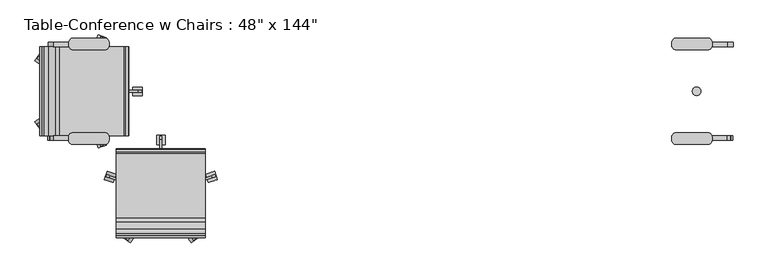
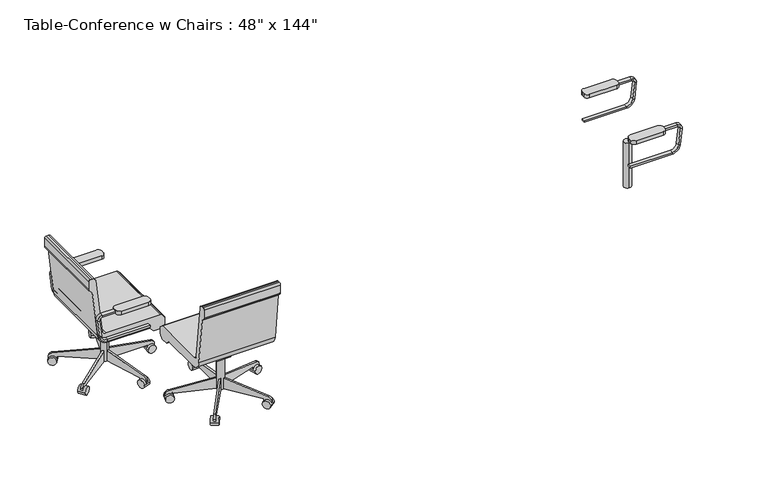
"""IFC4 building model written with IfcOpenShell, lengths in millimetres: furniture geometry."""

from ifc_helpers import new_model, si_unit, point, frame, frame_2d, origin, place, context, project, spatial, polyline, circle_curve, trimmed, segment, composite_curve, outline, extrude, source, transform, mapped, element, save
from ifc_brep_helpers import plane_surface, cylinder_surface, revolved_surface, advanced_brep


def furniture_51665881(model_context):
    return source(origin(), model_context, "Body", "SolidModel", [
        extrude(outline(composite_curve([segment(trimmed(circle_curve(frame_2d((1828.8, 0.0)), 25.4), [point((1828.8, -25.4))], [point((1828.8, 25.4))], False, "CARTESIAN"), True, "CONTINUOUS"), segment(trimmed(circle_curve(frame_2d((1828.8, 0.0)), 25.4), [point((1828.8, 25.4))], [point((1828.8, -25.4))], False, "CARTESIAN"), True, "CONTINUOUS")], self_intersect=False)), frame((0.0, 0.0, 53.5835944), z_axis=(0.0, 0.0, 1.0), x_axis=(1.0, 0.0, 0.0)), (0.0, 0.0, 1.0), 330.5914056),
        advanced_brep(
        [(1680.7139925, 292.1, 425.45), (1680.7139925, 292.1, 412.75), (1680.7139925, 266.7, 412.75), (1680.7139925, 266.7, 425.45), (1976.0751797, 292.1, 425.45), (1976.0751797, 292.1, 412.75), (1976.0751797, 266.7, 412.75), (1976.0751797, 266.7, 425.45), (2032.8337367, 292.1, 463.2225227), (2020.220724, 292.1, 464.7064065), (2032.8337367, 266.7, 463.2225227), (2020.220724, 266.7, 464.7064065), (2034.016932, 292.1, 581.9741742), (2046.6299447, 292.1, 580.4902904), (2046.6299447, 266.7, 580.4902904), (2034.016932, 266.7, 581.9741742), (2015.097413, 292.1, 615.95), (2015.097413, 292.1, 603.25), (2015.097413, 266.7, 615.95), (2015.097413, 266.7, 603.25), (1828.8, 292.1, 603.25), (1828.8, 266.7, 603.25), (1828.8, 266.7, 615.95), (1828.8, 292.1, 615.95)],
        [
            (0, 1),
            (1, 2),
            (2, 3),
            (3, 0),
            (0, 4),
            (4, 5),
            (5, 1),
            (5, 6),
            (6, 2),
            (6, 7),
            (7, 3),
            (7, 4),
            (8, 5, circle_curve(frame((1976.0751797, 292.1, 469.9), z_axis=(0.0, 1.0, 0.0), x_axis=(0.0, 0.0, -1.0)), 57.15)),
            (4, 9, circle_curve(frame((1976.0751797, 292.1, 469.9), z_axis=(0.0, -1.0, 0.0), x_axis=(0.0, 0.0, -1.0)), 44.45)),
            (9, 8),
            (10, 6, circle_curve(frame((1976.0751797, 266.7, 469.9), z_axis=(0.0, 1.0, 0.0), x_axis=(0.0, 0.0, -1.0)), 57.15)),
            (8, 10),
            (11, 7, circle_curve(frame((1976.0751797, 266.7, 469.9), z_axis=(0.0, 1.0, 0.0), x_axis=(0.0, 0.0, -1.0)), 44.45)),
            (10, 11),
            (11, 9),
            (9, 12),
            (12, 13),
            (13, 8),
            (13, 14),
            (14, 10),
            (14, 15),
            (15, 11),
            (15, 12),
            (16, 13, circle_curve(frame((2015.097413, 292.1, 584.2), z_axis=(0.0, 1.0, 0.0), x_axis=(0.9931506043228769, 0.0, -0.1168412475673929)), 31.75)),
            (12, 17, circle_curve(frame((2015.097413, 292.1, 584.2), z_axis=(0.0, -1.0, 0.0), x_axis=(0.9931506043228769, 0.0, -0.1168412475673929)), 19.05)),
            (17, 16),
            (18, 14, circle_curve(frame((2015.097413, 266.7, 584.2), z_axis=(0.0, 1.0, 0.0), x_axis=(0.9931506043228769, 0.0, -0.1168412475673929)), 31.75)),
            (16, 18),
            (19, 15, circle_curve(frame((2015.097413, 266.7, 584.2), z_axis=(0.0, 1.0, 0.0), x_axis=(0.9931506043228769, 0.0, -0.1168412475673929)), 19.05)),
            (18, 19),
            (19, 17),
            (20, 21),
            (21, 22),
            (22, 23),
            (23, 20),
            (17, 20),
            (23, 16),
            (22, 18),
            (21, 19),
        ],
        [
            plane_surface(frame((1680.7139925, 265.2009683, 419.1), z_axis=(-1.0, 0.0, 0.0), x_axis=(0.0, 0.0, -1.0))),
            plane_surface(frame((1680.7139925, 292.1, 425.45), z_axis=(0.0, 1.0, 0.0), x_axis=(1.0, 0.0, 0.0))),
            plane_surface(frame((1680.7139925, 292.1, 412.75), z_axis=(0.0, 0.0, -1.0), x_axis=(1.0, 0.0, 0.0))),
            plane_surface(frame((1680.7139925, 266.7, 412.75), z_axis=(0.0, -1.0, 0.0), x_axis=(1.0, 0.0, 0.0))),
            plane_surface(frame((1680.7139925, 266.7, 425.45), z_axis=(0.0, 0.0, 1.0), x_axis=(1.0, 0.0, 0.0))),
            plane_surface(frame((1976.0751797, 292.1, 469.9), z_axis=(0.0, 1.0, 0.0), x_axis=(0.0, 0.0, -1.0))),
            cylinder_surface(frame((1976.0751797, 279.4, 469.9), z_axis=(0.0, -1.0000000000000002, 0.0), x_axis=(0.0, 0.0, -1.0)), 57.15),
            plane_surface(frame((1976.0751797, 266.7, 469.9), z_axis=(0.0, -1.0, 0.0), x_axis=(0.0, 0.0, -1.0))),
            revolved_surface(polyline([(1976.0751797, 266.7, 425.45), (1976.0751797, 292.1, 425.45)]), (1976.0751797, 279.4, 469.9), (0.0, -1.0000000000000002, 0.0)),
            plane_surface(frame((2020.220724, 292.1, 464.7064065), z_axis=(0.0, 1.0, 0.0), x_axis=(0.11684124756738624, 0.0, 0.9931506043228775))),
            plane_surface(frame((2032.8337367, 292.1, 463.2225227), z_axis=(0.9931506043228775, 0.0, -0.11684124756738645), x_axis=(0.11684124756738645, 0.0, 0.9931506043228775))),
            plane_surface(frame((2032.8337367, 266.7, 463.2225227), z_axis=(0.0, -1.0, 0.0), x_axis=(0.11684124756738618, 0.0, 0.9931506043228775))),
            plane_surface(frame((2020.220724, 266.7, 464.7064065), z_axis=(-0.9931506043228775, 0.0, 0.11684124756738624), x_axis=(0.11684124756738624, 0.0, 0.9931506043228775))),
            plane_surface(frame((2015.097413, 292.1, 584.2), z_axis=(0.0, 1.0, 0.0), x_axis=(0.9931506043228767, 0.0, -0.11684124756739288))),
            cylinder_surface(frame((2015.097413, 279.4, 584.2), z_axis=(0.0, -1.0000000000000002, 0.0), x_axis=(0.9931506043228769, 0.0, -0.1168412475673929)), 31.75),
            plane_surface(frame((2015.097413, 266.7, 584.2), z_axis=(0.0, -1.0, 0.0), x_axis=(0.9931506043228767, 0.0, -0.11684124756739288))),
            revolved_surface(polyline([(2034.0169320123507, 266.7, 581.9741742338412), (2034.0169320123507, 292.1, 581.9741742338412)]), (2015.097413, 279.4, 584.2), (0.0, -1.0000000000000002, 0.0)),
            plane_surface(frame((1828.8, 265.2009683, 609.6), z_axis=(-1.0, 0.0, 0.0), x_axis=(0.0, 0.0, 1.0))),
            plane_surface(frame((2015.097413, 292.1, 603.25), z_axis=(0.0, 1.0, 0.0), x_axis=(-1.0, 0.0, 0.0))),
            plane_surface(frame((2015.097413, 292.1, 615.95), z_axis=(0.0, 0.0, 1.0), x_axis=(-1.0, 0.0, 0.0))),
            plane_surface(frame((2015.097413, 266.7, 615.95), z_axis=(0.0, -1.0, 0.0), x_axis=(-1.0, 0.0, 0.0))),
            plane_surface(frame((2015.097413, 266.7, 603.25), z_axis=(0.0, 0.0, -1.0), x_axis=(-1.0, 0.0, 0.0))),
        ],
        [
            (0, [[1, 2, 3, 4]]),
            (1, [[-1, 5, 6, 7]]),
            (2, [[-2, -7, 8, 9]]),
            (3, [[-3, -9, 10, 11]]),
            (4, [[-4, -11, 12, -5]]),
            (5, [[13, -6, 14, 15]]),
            (6, [[16, -8, -13, 17]]),
            (7, [[18, -10, -16, 19]]),
            (8, [[-14, -12, -18, 20]]),
            (9, [[-15, 21, 22, 23]]),
            (10, [[-17, -23, 24, 25]]),
            (11, [[-19, -25, 26, 27]]),
            (12, [[-20, -27, 28, -21]]),
            (13, [[29, -22, 30, 31]]),
            (14, [[32, -24, -29, 33]]),
            (15, [[34, -26, -32, 35]]),
            (16, [[-30, -28, -34, 36]]),
            (17, [[37, 38, 39, 40]]),
            (18, [[-31, 41, -40, 42]]),
            (19, [[-33, -42, -39, 43]]),
            (20, [[-35, -43, -38, 44]]),
            (21, [[-36, -44, -37, -41]]),
        ],
    ),
        advanced_brep(
        [(1680.7139925, -292.1, 412.75), (1680.7139925, -292.1, 425.45), (1680.7139925, -266.7, 425.45), (1680.7139925, -266.7, 412.75), (1973.9847667, -292.1, 412.75), (1973.9847667, -292.1, 425.45), (1973.9847667, -266.7, 425.45), (1973.9847667, -266.7, 412.75), (2018.1303111, -292.1, 464.7064065), (2030.7433237, -292.1, 463.2225227), (2018.1303111, -266.7, 464.7064065), (2030.7433237, -266.7, 463.2225227), (2044.5395317, -292.1, 580.4902904), (2031.926519, -292.1, 581.9741742), (2031.926519, -266.7, 581.9741742), (2044.5395317, -266.7, 580.4902904), (2013.007, -292.1, 603.25), (2013.007, -292.1, 615.95), (2013.007, -266.7, 603.25), (2013.007, -266.7, 615.95), (1828.8, -292.1, 615.95), (1828.8, -266.7, 615.95), (1828.8, -266.7, 603.25), (1828.8, -292.1, 603.25)],
        [
            (0, 1),
            (1, 2),
            (2, 3),
            (3, 0),
            (0, 4),
            (4, 5),
            (5, 1),
            (5, 6),
            (6, 2),
            (6, 7),
            (7, 3),
            (7, 4),
            (8, 5, circle_curve(frame((1973.9847667, -292.1, 469.9), z_axis=(0.0, 1.0, 0.0), x_axis=(0.0, 0.0, -1.0)), 44.45)),
            (4, 9, circle_curve(frame((1973.9847667, -292.1, 469.9), z_axis=(0.0, -1.0, 0.0), x_axis=(0.0, 0.0, -1.0)), 57.15)),
            (9, 8),
            (10, 6, circle_curve(frame((1973.9847667, -266.7, 469.9), z_axis=(0.0, 1.0, 0.0), x_axis=(0.0, 0.0, -1.0)), 44.45)),
            (8, 10),
            (11, 7, circle_curve(frame((1973.9847667, -266.7, 469.9), z_axis=(0.0, 1.0, 0.0), x_axis=(0.0, 0.0, -1.0)), 57.15)),
            (10, 11),
            (11, 9),
            (9, 12),
            (12, 13),
            (13, 8),
            (13, 14),
            (14, 10),
            (14, 15),
            (15, 11),
            (15, 12),
            (16, 13, circle_curve(frame((2013.007, -292.1, 584.2), z_axis=(0.0, 1.0, 0.0), x_axis=(0.9931506043228779, 0.0, -0.11684124756738384)), 19.05)),
            (12, 17, circle_curve(frame((2013.007, -292.1, 584.2), z_axis=(0.0, -1.0, 0.0), x_axis=(0.9931506043228779, 0.0, -0.11684124756738384)), 31.75)),
            (17, 16),
            (18, 14, circle_curve(frame((2013.007, -266.7, 584.2), z_axis=(0.0, 1.0, 0.0), x_axis=(0.9931506043228779, 0.0, -0.11684124756738384)), 19.05)),
            (16, 18),
            (19, 15, circle_curve(frame((2013.007, -266.7, 584.2), z_axis=(0.0, 1.0, 0.0), x_axis=(0.9931506043228779, 0.0, -0.11684124756738384)), 31.75)),
            (18, 19),
            (19, 17),
            (20, 21),
            (21, 22),
            (22, 23),
            (23, 20),
            (17, 20),
            (23, 16),
            (22, 18),
            (21, 19),
        ],
        [
            plane_surface(frame((1680.7139925, -293.5990317, 419.1), z_axis=(-1.0, 0.0, 0.0), x_axis=(0.0, 0.0, -1.0))),
            plane_surface(frame((1680.7139925, -292.1, 412.75), z_axis=(0.0, -1.0, 0.0), x_axis=(1.0, 0.0, 0.0))),
            plane_surface(frame((1680.7139925, -292.1, 425.45), z_axis=(0.0, 0.0, 1.0), x_axis=(1.0, 0.0, 0.0))),
            plane_surface(frame((1680.7139925, -266.7, 425.45), z_axis=(0.0, 1.0, 0.0), x_axis=(1.0, 0.0, 0.0))),
            plane_surface(frame((1680.7139925, -266.7, 412.75), z_axis=(0.0, 0.0, -1.0), x_axis=(1.0, 0.0, 0.0))),
            plane_surface(frame((1973.9847667, -292.1, 469.9), z_axis=(0.0, -1.0, 0.0), x_axis=(0.0, 0.0, -1.0))),
            revolved_surface(polyline([(1973.9847667, -292.1, 425.45), (1973.9847667, -266.7, 425.45)]), (1973.9847667, -279.4, 469.9), (0.0, -1.0000000000000002, 0.0)),
            plane_surface(frame((1973.9847667, -266.7, 469.9), z_axis=(0.0, 1.0, 0.0), x_axis=(0.0, 0.0, -1.0))),
            cylinder_surface(frame((1973.9847667, -279.4, 469.9), z_axis=(0.0, -1.0000000000000002, 0.0), x_axis=(0.0, 0.0, -1.0)), 57.15),
            plane_surface(frame((2030.7433237, -292.1, 463.2225227), z_axis=(0.0, -1.0000000000000002, 0.0), x_axis=(0.11684124756738538, 0.0, 0.9931506043228777))),
            plane_surface(frame((2018.1303111, -292.1, 464.7064065), z_axis=(-0.9931506043228776, 0.0, 0.11684124756738551), x_axis=(0.11684124756738551, 0.0, 0.9931506043228776))),
            plane_surface(frame((2018.1303111, -266.7, 464.7064065), z_axis=(0.0, 1.0, 0.0), x_axis=(0.11684124756738551, 0.0, 0.9931506043228776))),
            plane_surface(frame((2030.7433237, -266.7, 463.2225227), z_axis=(0.9931506043228777, 0.0, -0.11684124756738538), x_axis=(0.11684124756738538, 0.0, 0.9931506043228777))),
            plane_surface(frame((2013.007, -292.1, 584.2), z_axis=(0.0, -1.0000000000000002, 0.0), x_axis=(0.9931506043228778, 0.0, -0.11684124756738383))),
            revolved_surface(polyline([(2031.9265190123508, -292.1, 581.9741742338414), (2031.9265190123508, -266.7, 581.9741742338414)]), (2013.007, -279.4, 584.2), (0.0, -1.0000000000000002, 0.0)),
            plane_surface(frame((2013.007, -266.7, 584.2), z_axis=(0.0, 1.0000000000000002, 0.0), x_axis=(0.9931506043228778, 0.0, -0.11684124756738383))),
            cylinder_surface(frame((2013.007, -279.4, 584.2), z_axis=(0.0, -1.0000000000000002, 0.0), x_axis=(0.9931506043228779, 0.0, -0.11684124756738384)), 31.75),
            plane_surface(frame((1828.8, -293.5990317, 609.6), z_axis=(-1.0, 0.0, 0.0), x_axis=(0.0, 0.0, 1.0))),
            plane_surface(frame((2013.007, -292.1, 615.95), z_axis=(0.0, -1.0, 0.0), x_axis=(-1.0, 0.0, 0.0))),
            plane_surface(frame((2013.007, -292.1, 603.25), z_axis=(0.0, 0.0, -1.0), x_axis=(-1.0, 0.0, 0.0))),
            plane_surface(frame((2013.007, -266.7, 603.25), z_axis=(0.0, 1.0, 0.0), x_axis=(-1.0, 0.0, 0.0))),
            plane_surface(frame((2013.007, -266.7, 615.95), z_axis=(0.0, 0.0, 1.0), x_axis=(-1.0, 0.0, 0.0))),
        ],
        [
            (0, [[1, 2, 3, 4]]),
            (1, [[-1, 5, 6, 7]]),
            (2, [[-2, -7, 8, 9]]),
            (3, [[-3, -9, 10, 11]]),
            (4, [[-4, -11, 12, -5]]),
            (5, [[13, -6, 14, 15]]),
            (6, [[16, -8, -13, 17]]),
            (7, [[18, -10, -16, 19]]),
            (8, [[-14, -12, -18, 20]]),
            (9, [[-15, 21, 22, 23]]),
            (10, [[-17, -23, 24, 25]]),
            (11, [[-19, -25, 26, 27]]),
            (12, [[-20, -27, 28, -21]]),
            (13, [[29, -22, 30, 31]]),
            (14, [[32, -24, -29, 33]]),
            (15, [[34, -26, -32, 35]]),
            (16, [[-30, -28, -34, 36]]),
            (17, [[37, 38, 39, 40]]),
            (18, [[-31, 41, -40, 42]]),
            (19, [[-33, -42, -39, 43]]),
            (20, [[-35, -43, -38, 44]]),
            (21, [[-36, -44, -37, -41]]),
        ],
    ),
        extrude(outline(composite_curve([segment(polyline([(1921.9487065, 292.1), (1921.9487065, 273.05)]), True, "CONTINUOUS"), segment(trimmed(circle_curve(frame_2d((1896.5487065, 273.05)), 25.4), [point((1921.9487065, 273.05))], [point((1896.5487065, 247.65))], False, "CARTESIAN"), True, "CONTINUOUS"), segment(polyline([(1896.5487065, 247.65), (1706.1139925, 247.65)]), True, "CONTINUOUS"), segment(trimmed(circle_curve(frame_2d((1706.1139925, 273.05)), 25.4), [point((1706.1139925, 247.65))], [point((1680.7139925, 273.05))], False, "CARTESIAN"), True, "CONTINUOUS"), segment(polyline([(1680.7139925, 273.05), (1680.7139925, 292.1)]), True, "CONTINUOUS"), segment(trimmed(circle_curve(frame_2d((1706.1139925, 292.1)), 25.4), [point((1680.7139925, 292.1))], [point((1706.1139925, 317.5))], False, "CARTESIAN"), True, "CONTINUOUS"), segment(polyline([(1706.1139925, 317.5), (1896.5487065, 317.5)]), True, "CONTINUOUS"), segment(trimmed(circle_curve(frame_2d((1896.5487065, 292.1)), 25.4), [point((1896.5487065, 317.5))], [point((1921.9487065, 292.1))], False, "CARTESIAN"), True, "CONTINUOUS")], self_intersect=False)), frame((0.0, 0.0, 596.9), z_axis=(0.0, 0.0, 1.0), x_axis=(1.0, 0.0, 0.0)), (0.0, 0.0, 1.0), 25.4),
        extrude(outline(composite_curve([segment(polyline([(1920.9035, -273.05), (1920.9035, -292.1)]), True, "CONTINUOUS"), segment(trimmed(circle_curve(frame_2d((1895.5035, -292.1)), 25.4), [point((1920.9035, -292.1))], [point((1895.5035, -317.5))], False, "CARTESIAN"), True, "CONTINUOUS"), segment(polyline([(1895.5035, -317.5), (1706.1139925, -317.5)]), True, "CONTINUOUS"), segment(trimmed(circle_curve(frame_2d((1706.1139925, -292.1)), 25.4), [point((1706.1139925, -317.5))], [point((1680.7139925, -292.1))], False, "CARTESIAN"), True, "CONTINUOUS"), segment(polyline([(1680.7139925, -292.1), (1680.7139925, -273.05)]), True, "CONTINUOUS"), segment(trimmed(circle_curve(frame_2d((1706.1139925, -273.05)), 25.4), [point((1680.7139925, -273.05))], [point((1706.1139925, -247.65))], False, "CARTESIAN"), True, "CONTINUOUS"), segment(polyline([(1706.1139925, -247.65), (1895.5035, -247.65)]), True, "CONTINUOUS"), segment(trimmed(circle_curve(frame_2d((1895.5035, -273.05)), 25.4), [point((1895.5035, -247.65))], [point((1920.9035, -273.05))], False, "CARTESIAN"), True, "CONTINUOUS")], self_intersect=False)), frame((0.0, 0.0, 596.9), z_axis=(0.0, 0.0, 1.0), x_axis=(1.0, 0.0, 0.0)), (0.0, 0.0, 1.0), 25.4),
        extrude(outline(composite_curve([segment(trimmed(circle_curve(frame_2d((482.6, -1973.9509471)), 25.4), [point((457.2, -1973.9509471))], [point((479.6322323, -1999.1769725))], True, "CARTESIAN"), True, "CONTINUOUS"), segment(polyline([(479.6322323, -1999.1769725), (866.5677677, -2044.6988002)]), True, "CONTINUOUS"), segment(trimmed(circle_curve(frame_2d((863.6, -2069.9248255)), 25.4), [point((866.5677677, -2044.6988002))], [point((889.0, -2069.9248255))], False, "CARTESIAN"), True, "CONTINUOUS"), segment(polyline([(889.0, -2069.9248255), (889.0, -2082.8)]), True, "CONTINUOUS"), segment(trimmed(circle_curve(frame_2d((876.3, -2082.8)), 12.7), [point((889.0, -2082.8))], [point((876.3, -2095.5))], False, "CARTESIAN"), True, "CONTINUOUS"), segment(polyline([(876.3, -2095.5), (818.0605122, -2095.5)]), True, "CONTINUOUS"), segment(trimmed(circle_curve(frame_2d((818.0605122, -2082.8)), 12.7), [point((818.0605122, -2095.5))], [point((809.0802561, -2091.7802561))], False, "CARTESIAN"), True, "CONTINUOUS"), segment(polyline([(809.0802561, -2091.7802561), (787.4, -2070.1), (451.0802913, -2030.5329755)]), True, "CONTINUOUS"), segment(trimmed(circle_curve(frame_2d((459.9835944, -1954.8548994)), 76.2), [point((451.0802913, -2030.5329755))], [point((383.7835944, -1954.8548994))], False, "CARTESIAN"), True, "CONTINUOUS"), segment(polyline([(383.7835944, -1954.8548994), (383.7835944, -1666.6714414), (355.6, -1638.2988732), (355.6, -1587.4988732), (373.7401184, -1569.479576)]), True, "CONTINUOUS"), segment(trimmed(circle_curve(frame_2d((391.6405184, -1587.5)), 25.4), [point((373.7401184, -1569.479576))], [point((391.6405184, -1562.1))], False, "CARTESIAN"), True, "CONTINUOUS"), segment(polyline([(391.6405184, -1562.1), (426.6837879, -1562.1)]), True, "CONTINUOUS"), segment(trimmed(circle_curve(frame_2d((426.6837879, -1574.8)), 12.7), [point((426.6837879, -1562.1))], [point((435.6939999, -1565.8498))], False, "CARTESIAN"), True, "CONTINUOUS"), segment(polyline([(435.6939999, -1565.8498), (453.510212, -1583.7854716)]), True, "CONTINUOUS"), segment(trimmed(circle_curve(frame_2d((444.5, -1592.7356716)), 12.7), [point((453.510212, -1583.7854716))], [point((457.2, -1592.7356716))], False, "CARTESIAN"), True, "CONTINUOUS"), segment(polyline([(457.2, -1592.7356716), (457.2, -1973.9509471)]), True, "CONTINUOUS")], self_intersect=False)), frame((0.0, -266.7, 0.0), z_axis=(0.0, 1.0, 0.0), x_axis=(0.0, 0.0, 1.0)), (0.0, 0.0, 1.0), 533.4),
        extrude(outline(polyline([(383.7835944, -1778.0), (383.7835944, -1866.9), (283.0954134, -1866.9), (283.0954134, -1828.8), (371.0835944, -1778.0), (383.7835944, -1778.0)])), frame((0.0, -50.8, 0.0), z_axis=(0.0, 1.0, 0.0), x_axis=(0.0, 0.0, 1.0)), (0.0, 0.0, 1.0), 101.6),
        extrude(outline(composite_curve([segment(polyline([(53.5835944, -1536.7), (28.1835944, -1536.7), (28.1835944, -1485.9), (52.4866474, -1485.9)]), True, "CONTINUOUS"), segment(trimmed(circle_curve(frame_2d((52.4866474, -1511.3)), 25.4), [point((52.4866474, -1485.9))], [point((77.5007643, -1506.8893363))], False, "CARTESIAN"), True, "CONTINUOUS"), segment(polyline([(77.5007643, -1506.8893363), (129.7835944, -1803.4), (129.7835944, -1828.8), (53.5835944, -1828.8), (53.5835944, -1536.7)]), True, "CONTINUOUS")], self_intersect=False)), frame((0.0, -6.35, 0.0), z_axis=(0.0, 1.0, 0.0), x_axis=(0.0, 0.0, 1.0)), (0.0, 0.0, 1.0), 12.7),
        extrude(outline(composite_curve([segment(trimmed(circle_curve(frame_2d((28.1835944, -1511.3)), 28.2002727), [point((28.1835944, -1539.5002727))], [point((28.1835944, -1483.0997273))], False, "CARTESIAN"), True, "CONTINUOUS"), segment(trimmed(circle_curve(frame_2d((28.1835944, -1511.3)), 28.2002727), [point((28.1835944, -1483.0997273))], [point((28.1835944, -1539.5002727))], False, "CARTESIAN"), True, "CONTINUOUS")], self_intersect=False)), frame((0.0, -25.4, 0.0), z_axis=(0.0, 1.0, 0.0), x_axis=(0.0, 0.0, 1.0)), (0.0, 0.0, 1.0), 50.8),
        extrude(outline(composite_curve([segment(polyline([(-25.4, 0.0), (0.0, 0.0), (0.0, -50.8), (-24.303053, -50.8)]), True, "CONTINUOUS"), segment(trimmed(circle_curve(frame_2d((-24.303053, -25.4)), 25.4), [point((-24.303053, -50.8))], [point((-49.3171699, -29.8106637))], False, "CARTESIAN"), True, "CONTINUOUS"), segment(polyline([(-49.3171699, -29.8106637), (-101.6, 266.7), (-101.6, 292.1), (-25.4, 292.1), (-25.4, 0.0)]), True, "CONTINUOUS")], self_intersect=False)), frame((-1732.4969271, 275.8413505, 28.1835944), z_axis=(-0.9510565162951518, 0.309016994374953, 0.0), x_axis=(0.0, 0.0, -1.0)), (0.0, 0.0, 1.0), 12.7),
        extrude(outline(composite_curve([segment(trimmed(circle_curve(frame_2d((0.0, -28.2002727)), 28.2002727), [point((0.0, -56.4005455))], [point((0.0, 0.0))], False, "CARTESIAN"), True, "CONTINUOUS"), segment(trimmed(circle_curve(frame_2d((0.0, -28.2002727)), 28.2002727), [point((0.0, 0.0))], [point((0.0, -56.4005455))], False, "CARTESIAN"), True, "CONTINUOUS")], self_intersect=False)), frame((-1697.8159053, 320.9314654, 28.1835944), z_axis=(-0.9510565162951518, 0.309016994374953, 0.0), x_axis=(0.0, 0.0, 1.0)), (0.0, 0.0, 1.0), 50.8),
        extrude(outline(composite_curve([segment(polyline([(25.4, 0.0), (25.4, 292.1), (101.6, 292.1), (101.6, 266.7), (49.3171699, -29.8106638)]), True, "CONTINUOUS"), segment(trimmed(circle_curve(frame_2d((24.303053, -25.4)), 25.4), [point((49.3171699, -29.8106638))], [point((24.303053, -50.8))], False, "CARTESIAN"), True, "CONTINUOUS"), segment(polyline([(24.303053, -50.8), (0.0, -50.8), (0.0, 0.0), (25.4, 0.0)]), True, "CONTINUOUS")], self_intersect=False)), frame((-2068.8463004, 166.5548143, 28.1835944), z_axis=(0.587785252292479, 0.8090169943749432, 0.0), x_axis=(0.0, 0.0, 1.0)), (0.0, 0.0, 1.0), 12.7),
        extrude(outline(composite_curve([segment(trimmed(circle_curve(frame_2d((0.0, -28.2002728)), 28.2002727), [point((0.0, -56.4005455))], [point((0.0, 0.0))], False, "CARTESIAN"), True, "CONTINUOUS"), segment(trimmed(circle_curve(frame_2d((0.0, -28.2002728)), 28.2002727), [point((0.0, 0.0))], [point((0.0, -56.4005455))], False, "CARTESIAN"), True, "CONTINUOUS")], self_intersect=False)), frame((-2123.407141, 182.6484904, 28.1835944), z_axis=(0.587785252292479, 0.8090169943749431, 0.0), x_axis=(0.0, 0.0, -1.0)), (0.0, 0.0, 1.0), 50.8),
        extrude(outline(composite_curve([segment(polyline([(25.4, 0.0), (25.4, 292.1), (101.6, 292.1), (101.6, 266.7), (49.3171699, -29.8106638)]), True, "CONTINUOUS"), segment(trimmed(circle_curve(frame_2d((24.303053, -25.4)), 25.4), [point((49.3171699, -29.8106638))], [point((24.303053, -50.8))], False, "CARTESIAN"), True, "CONTINUOUS"), segment(polyline([(24.303053, -50.8), (0.0, -50.8), (0.0, 0.0), (25.4, 0.0)]), True, "CONTINUOUS")], self_intersect=False)), frame((-2061.3814277, -176.8293301, 28.1835944), z_axis=(-0.5877852522924663, 0.8090169943749526, 0.0), x_axis=(0.0, 0.0, 1.0)), (0.0, 0.0, 1.0), 12.7),
        extrude(outline(composite_curve([segment(trimmed(circle_curve(frame_2d((0.0, -28.2002727)), 28.2002727), [point((0.0, -56.4005455))], [point((0.0, 0.0))], False, "CARTESIAN"), True, "CONTINUOUS"), segment(trimmed(circle_curve(frame_2d((0.0, -28.2002727)), 28.2002727), [point((0.0, 0.0))], [point((0.0, -56.4005455))], False, "CARTESIAN"), True, "CONTINUOUS")], self_intersect=False)), frame((-2093.5476502, -223.7465537, 28.1835944), z_axis=(-0.5877852522924663, 0.8090169943749526, 0.0), x_axis=(0.0, 0.0, -1.0)), (0.0, 0.0, 1.0), 50.8),
        extrude(outline(composite_curve([segment(polyline([(-25.4, 0.0), (0.0, 0.0), (0.0, -50.8000001), (-24.303053, -50.8000001)]), True, "CONTINUOUS"), segment(trimmed(circle_curve(frame_2d((-24.303053, -25.4)), 25.4), [point((-24.303053, -50.8000001))], [point((-49.3171699, -29.8106637))], False, "CARTESIAN"), True, "CONTINUOUS"), segment(polyline([(-49.3171699, -29.8106637), (-101.6, 266.7), (-101.6, 292.1), (-25.4, 292.1), (-25.4, 0.0)]), True, "CONTINUOUS")], self_intersect=False)), frame((-1744.5753448, -279.7658663, 28.1835944), z_axis=(0.9510565162951568, 0.30901699437493796, 0.0), x_axis=(0.0, 0.0, -1.0)), (0.0, 0.0, 1.0), 12.7),
        extrude(outline(composite_curve([segment(trimmed(circle_curve(frame_2d((0.0, -28.2002727)), 28.2002727), [point((0.0, -56.4005454))], [point((0.0, 0.0))], False, "CARTESIAN"), True, "CONTINUOUS"), segment(trimmed(circle_curve(frame_2d((0.0, -28.2002727)), 28.2002727), [point((0.0, 0.0))], [point((0.0, -56.4005454))], False, "CARTESIAN"), True, "CONTINUOUS")], self_intersect=False)), frame((-1746.1295763, -336.6295287, 28.1835944), z_axis=(0.9510565162951568, 0.30901699437493796, 0.0), x_axis=(0.0, 0.0, 1.0)), (0.0, 0.0, 1.0), 50.8),
        extrude(outline(composite_curve([segment(trimmed(circle_curve(frame_2d((-1828.8, 0.0)), 25.4), [point((-1828.8, 25.4))], [point((-1828.8, -25.4))], False, "CARTESIAN"), True, "CONTINUOUS"), segment(trimmed(circle_curve(frame_2d((-1828.8, 0.0)), 25.4), [point((-1828.8, -25.4))], [point((-1828.8, 25.4))], False, "CARTESIAN"), True, "CONTINUOUS")], self_intersect=False)), frame((0.0, 0.0, 53.5835944), z_axis=(0.0, 0.0, 1.0), x_axis=(1.0, 0.0, 0.0)), (0.0, 0.0, 1.0), 330.5914056),
        advanced_brep(
        [(-1680.7139925, -292.1, 425.45), (-1680.7139925, -292.1, 412.75), (-1680.7139925, -266.7, 412.75), (-1680.7139925, -266.7, 425.45), (-1976.0751797, -292.1, 425.45), (-1976.0751797, -292.1, 412.75), (-1976.0751797, -266.7, 412.75), (-1976.0751797, -266.7, 425.45), (-2032.8337367, -292.1, 463.2225227), (-2020.220724, -292.1, 464.7064065), (-2032.8337367, -266.7, 463.2225227), (-2020.220724, -266.7, 464.7064065), (-2034.016932, -292.1, 581.9741742), (-2046.6299447, -292.1, 580.4902904), (-2046.6299447, -266.7, 580.4902904), (-2034.016932, -266.7, 581.9741742), (-2015.097413, -292.1, 615.95), (-2015.097413, -292.1, 603.25), (-2015.097413, -266.7, 615.95), (-2015.097413, -266.7, 603.25), (-1828.8, -292.1, 603.25), (-1828.8, -266.7, 603.25), (-1828.8, -266.7, 615.95), (-1828.8, -292.1, 615.95)],
        [
            (0, 1),
            (1, 2),
            (2, 3),
            (3, 0),
            (0, 4),
            (4, 5),
            (5, 1),
            (5, 6),
            (6, 2),
            (6, 7),
            (7, 3),
            (7, 4),
            (8, 5, circle_curve(frame((-1976.0751797, -292.1, 469.9), z_axis=(0.0, -1.0, 0.0), x_axis=(0.0, 0.0, -1.0)), 57.15)),
            (4, 9, circle_curve(frame((-1976.0751797, -292.1, 469.9), z_axis=(0.0, 1.0, 0.0), x_axis=(0.0, 0.0, -1.0)), 44.45)),
            (9, 8),
            (10, 6, circle_curve(frame((-1976.0751797, -266.7, 469.9), z_axis=(0.0, -1.0, 0.0), x_axis=(0.0, 0.0, -1.0)), 57.15)),
            (8, 10),
            (11, 7, circle_curve(frame((-1976.0751797, -266.7, 469.9), z_axis=(0.0, -1.0, 0.0), x_axis=(0.0, 0.0, -1.0)), 44.45)),
            (10, 11),
            (11, 9),
            (9, 12),
            (12, 13),
            (13, 8),
            (13, 14),
            (14, 10),
            (14, 15),
            (15, 11),
            (15, 12),
            (16, 13, circle_curve(frame((-2015.097413, -292.1, 584.2), z_axis=(0.0, -1.0, 0.0), x_axis=(-0.9931506043228767, 0.0, -0.1168412475673929)), 31.75)),
            (12, 17, circle_curve(frame((-2015.097413, -292.1, 584.2), z_axis=(0.0, 1.0, 0.0), x_axis=(-0.9931506043228767, 0.0, -0.1168412475673929)), 19.05)),
            (17, 16),
            (18, 14, circle_curve(frame((-2015.097413, -266.7, 584.2), z_axis=(0.0, -1.0, 0.0), x_axis=(-0.9931506043228767, 0.0, -0.1168412475673929)), 31.75)),
            (16, 18),
            (19, 15, circle_curve(frame((-2015.097413, -266.7, 584.2), z_axis=(0.0, -1.0, 0.0), x_axis=(-0.9931506043228767, 0.0, -0.1168412475673929)), 19.05)),
            (18, 19),
            (19, 17),
            (20, 21),
            (21, 22),
            (22, 23),
            (23, 20),
            (17, 20),
            (23, 16),
            (22, 18),
            (21, 19),
        ],
        [
            plane_surface(frame((-1680.7139925, -265.2009683, 419.1), z_axis=(1.0, 0.0, 0.0), x_axis=(0.0, 0.0, -1.0))),
            plane_surface(frame((-1680.7139925, -292.1, 425.45), z_axis=(0.0, -1.0, 0.0), x_axis=(-1.0, 0.0, 0.0))),
            plane_surface(frame((-1680.7139925, -292.1, 412.75), z_axis=(0.0, 0.0, -1.0), x_axis=(-1.0, 0.0, 0.0))),
            plane_surface(frame((-1680.7139925, -266.7, 412.75), z_axis=(0.0, 1.0, 0.0), x_axis=(-1.0, 0.0, 0.0))),
            plane_surface(frame((-1680.7139925, -266.7, 425.45), z_axis=(0.0, 0.0, 1.0), x_axis=(-1.0, 0.0, 0.0))),
            plane_surface(frame((-1976.0751797, -292.1, 469.9), z_axis=(0.0, -1.0, 0.0), x_axis=(0.0, 0.0, -1.0))),
            cylinder_surface(frame((-1976.0751797, -279.4, 469.9), z_axis=(0.0, 1.0, 0.0), x_axis=(0.0, 0.0, -1.0)), 57.15),
            plane_surface(frame((-1976.0751797, -266.7, 469.9), z_axis=(0.0, 1.0, 0.0), x_axis=(0.0, 0.0, -1.0))),
            revolved_surface(polyline([(-1976.0751797, -266.7, 425.45), (-1976.0751797, -292.1, 425.45)]), (-1976.0751797, -279.4, 469.9), (0.0, 1.0, 0.0)),
            plane_surface(frame((-2020.220724, -292.1, 464.7064065), z_axis=(0.0, -1.0, 0.0), x_axis=(-0.11684124756738622, 0.0, 0.9931506043228775))),
            plane_surface(frame((-2032.8337367, -292.1, 463.2225227), z_axis=(-0.9931506043228775, 0.0, -0.11684124756738642), x_axis=(-0.11684124756738642, 0.0, 0.9931506043228775))),
            plane_surface(frame((-2032.8337367, -266.7, 463.2225227), z_axis=(0.0, 1.0, 0.0), x_axis=(-0.11684124756738615, 0.0, 0.9931506043228775))),
            plane_surface(frame((-2020.220724, -266.7, 464.7064065), z_axis=(0.9931506043228775, 0.0, 0.11684124756738622), x_axis=(-0.11684124756738622, 0.0, 0.9931506043228775))),
            plane_surface(frame((-2015.097413, -292.1, 584.2), z_axis=(0.0, -1.0, 0.0), x_axis=(-0.9931506043228767, 0.0, -0.1168412475673929))),
            cylinder_surface(frame((-2015.097413, -279.4, 584.2), z_axis=(0.0, 1.0, 0.0), x_axis=(-0.9931506043228767, 0.0, -0.1168412475673929)), 31.75),
            plane_surface(frame((-2015.097413, -266.7, 584.2), z_axis=(0.0, 1.0, 0.0), x_axis=(-0.9931506043228767, 0.0, -0.1168412475673929))),
            revolved_surface(polyline([(-2034.0169320123507, -266.7, 581.9741742338412), (-2034.0169320123507, -292.1, 581.9741742338412)]), (-2015.097413, -279.4, 584.2), (0.0, 1.0, 0.0)),
            plane_surface(frame((-1828.8, -265.2009683, 609.6), z_axis=(1.0, 0.0, 0.0), x_axis=(0.0, 0.0, 1.0))),
            plane_surface(frame((-2015.097413, -292.1, 603.25), z_axis=(0.0, -1.0, 0.0), x_axis=(1.0, 0.0, 0.0))),
            plane_surface(frame((-2015.097413, -292.1, 615.95), z_axis=(0.0, 0.0, 1.0), x_axis=(1.0, 0.0, 0.0))),
            plane_surface(frame((-2015.097413, -266.7, 615.95), z_axis=(0.0, 1.0, 0.0), x_axis=(1.0, 0.0, 0.0))),
            plane_surface(frame((-2015.097413, -266.7, 603.25), z_axis=(0.0, 0.0, -1.0), x_axis=(1.0, 0.0, 0.0))),
        ],
        [
            (0, [[1, 2, 3, 4]]),
            (1, [[-1, 5, 6, 7]]),
            (2, [[-2, -7, 8, 9]]),
            (3, [[-3, -9, 10, 11]]),
            (4, [[-4, -11, 12, -5]]),
            (5, [[13, -6, 14, 15]]),
            (6, [[16, -8, -13, 17]]),
            (7, [[18, -10, -16, 19]]),
            (8, [[-14, -12, -18, 20]]),
            (9, [[-15, 21, 22, 23]]),
            (10, [[-17, -23, 24, 25]]),
            (11, [[-19, -25, 26, 27]]),
            (12, [[-20, -27, 28, -21]]),
            (13, [[29, -22, 30, 31]]),
            (14, [[32, -24, -29, 33]]),
            (15, [[34, -26, -32, 35]]),
            (16, [[-30, -28, -34, 36]]),
            (17, [[37, 38, 39, 40]]),
            (18, [[-31, 41, -40, 42]]),
            (19, [[-33, -42, -39, 43]]),
            (20, [[-35, -43, -38, 44]]),
            (21, [[-36, -44, -37, -41]]),
        ],
    ),
        advanced_brep(
        [(-1680.7139925, 292.1, 412.75), (-1680.7139925, 292.1, 425.45), (-1680.7139925, 266.7, 425.45), (-1680.7139925, 266.7, 412.75), (-1973.9847667, 292.1, 412.75), (-1973.9847667, 292.1, 425.45), (-1973.9847667, 266.7, 425.45), (-1973.9847667, 266.7, 412.75), (-2018.1303111, 292.1, 464.7064065), (-2030.7433237, 292.1, 463.2225227), (-2018.1303111, 266.7, 464.7064065), (-2030.7433237, 266.7, 463.2225227), (-2044.5395317, 292.1, 580.4902904), (-2031.926519, 292.1, 581.9741742), (-2031.926519, 266.7, 581.9741742), (-2044.5395317, 266.7, 580.4902904), (-2013.007, 292.1, 603.25), (-2013.007, 292.1, 615.95), (-2013.007, 266.7, 603.25), (-2013.007, 266.7, 615.95), (-1828.8, 292.1, 615.95), (-1828.8, 266.7, 615.95), (-1828.8, 266.7, 603.25), (-1828.8, 292.1, 603.25)],
        [
            (0, 1),
            (1, 2),
            (2, 3),
            (3, 0),
            (0, 4),
            (4, 5),
            (5, 1),
            (5, 6),
            (6, 2),
            (6, 7),
            (7, 3),
            (7, 4),
            (8, 5, circle_curve(frame((-1973.9847667, 292.1, 469.9), z_axis=(0.0, -1.0, 0.0), x_axis=(0.0, 0.0, -1.0)), 44.45)),
            (4, 9, circle_curve(frame((-1973.9847667, 292.1, 469.9), z_axis=(0.0, 1.0, 0.0), x_axis=(0.0, 0.0, -1.0)), 57.15)),
            (9, 8),
            (10, 6, circle_curve(frame((-1973.9847667, 266.7, 469.9), z_axis=(0.0, -1.0, 0.0), x_axis=(0.0, 0.0, -1.0)), 44.45)),
            (8, 10),
            (11, 7, circle_curve(frame((-1973.9847667, 266.7, 469.9), z_axis=(0.0, -1.0, 0.0), x_axis=(0.0, 0.0, -1.0)), 57.15)),
            (10, 11),
            (11, 9),
            (9, 12),
            (12, 13),
            (13, 8),
            (13, 14),
            (14, 10),
            (14, 15),
            (15, 11),
            (15, 12),
            (16, 13, circle_curve(frame((-2013.007, 292.1, 584.2), z_axis=(0.0, -1.0, 0.0), x_axis=(-0.9931506043228777, 0.0, -0.11684124756738384)), 19.05)),
            (12, 17, circle_curve(frame((-2013.007, 292.1, 584.2), z_axis=(0.0, 1.0, 0.0), x_axis=(-0.9931506043228777, 0.0, -0.11684124756738384)), 31.75)),
            (17, 16),
            (18, 14, circle_curve(frame((-2013.007, 266.7, 584.2), z_axis=(0.0, -1.0, 0.0), x_axis=(-0.9931506043228777, 0.0, -0.11684124756738384)), 19.05)),
            (16, 18),
            (19, 15, circle_curve(frame((-2013.007, 266.7, 584.2), z_axis=(0.0, -1.0, 0.0), x_axis=(-0.9931506043228777, 0.0, -0.11684124756738384)), 31.75)),
            (18, 19),
            (19, 17),
            (20, 21),
            (21, 22),
            (22, 23),
            (23, 20),
            (17, 20),
            (23, 16),
            (22, 18),
            (21, 19),
        ],
        [
            plane_surface(frame((-1680.7139925, 293.5990317, 419.1), z_axis=(1.0, 0.0, 0.0), x_axis=(0.0, 0.0, -1.0))),
            plane_surface(frame((-1680.7139925, 292.1, 412.75), z_axis=(0.0, 1.0, 0.0), x_axis=(-1.0, 0.0, 0.0))),
            plane_surface(frame((-1680.7139925, 292.1, 425.45), z_axis=(0.0, 0.0, 1.0), x_axis=(-1.0, 0.0, 0.0))),
            plane_surface(frame((-1680.7139925, 266.7, 425.45), z_axis=(0.0, -1.0, 0.0), x_axis=(-1.0, 0.0, 0.0))),
            plane_surface(frame((-1680.7139925, 266.7, 412.75), z_axis=(0.0, 0.0, -1.0), x_axis=(-1.0, 0.0, 0.0))),
            plane_surface(frame((-1973.9847667, 292.1, 469.9), z_axis=(0.0, 1.0, 0.0), x_axis=(0.0, 0.0, -1.0))),
            revolved_surface(polyline([(-1973.9847667, 292.1, 425.45), (-1973.9847667, 266.7, 425.45)]), (-1973.9847667, 279.4, 469.9), (0.0, 1.0, 0.0)),
            plane_surface(frame((-1973.9847667, 266.7, 469.9), z_axis=(0.0, -1.0, 0.0), x_axis=(0.0, 0.0, -1.0))),
            cylinder_surface(frame((-1973.9847667, 279.4, 469.9), z_axis=(0.0, 1.0, 0.0), x_axis=(0.0, 0.0, -1.0)), 57.15),
            plane_surface(frame((-2030.7433237, 292.1, 463.2225227), z_axis=(0.0, 1.0000000000000002, 0.0), x_axis=(-0.11684124756738536, 0.0, 0.9931506043228777))),
            plane_surface(frame((-2018.1303111, 292.1, 464.7064065), z_axis=(0.9931506043228776, 0.0, 0.11684124756738548), x_axis=(-0.11684124756738548, 0.0, 0.9931506043228776))),
            plane_surface(frame((-2018.1303111, 266.7, 464.7064065), z_axis=(0.0, -1.0, 0.0), x_axis=(-0.11684124756738548, 0.0, 0.9931506043228776))),
            plane_surface(frame((-2030.7433237, 266.7, 463.2225227), z_axis=(-0.9931506043228777, 0.0, -0.11684124756738536), x_axis=(-0.11684124756738536, 0.0, 0.9931506043228777))),
            plane_surface(frame((-2013.007, 292.1, 584.2), z_axis=(0.0, 1.0000000000000002, 0.0), x_axis=(-0.9931506043228778, 0.0, -0.11684124756738386))),
            revolved_surface(polyline([(-2031.9265190123508, 292.1, 581.9741742338414), (-2031.9265190123508, 266.7, 581.9741742338414)]), (-2013.007, 279.4, 584.2), (0.0, 1.0, 0.0)),
            plane_surface(frame((-2013.007, 266.7, 584.2), z_axis=(0.0, -1.0000000000000002, 0.0), x_axis=(-0.9931506043228778, 0.0, -0.11684124756738386))),
            cylinder_surface(frame((-2013.007, 279.4, 584.2), z_axis=(0.0, 1.0, 0.0), x_axis=(-0.9931506043228777, 0.0, -0.11684124756738384)), 31.75),
            plane_surface(frame((-1828.8, 293.5990317, 609.6), z_axis=(1.0, 0.0, 0.0), x_axis=(0.0, 0.0, 1.0))),
            plane_surface(frame((-2013.007, 292.1, 615.95), z_axis=(0.0, 1.0, 0.0), x_axis=(1.0, 0.0, 0.0))),
            plane_surface(frame((-2013.007, 292.1, 603.25), z_axis=(0.0, 0.0, -1.0), x_axis=(1.0, 0.0, 0.0))),
            plane_surface(frame((-2013.007, 266.7, 603.25), z_axis=(0.0, -1.0, 0.0), x_axis=(1.0, 0.0, 0.0))),
            plane_surface(frame((-2013.007, 266.7, 615.95), z_axis=(0.0, 0.0, 1.0), x_axis=(1.0, 0.0, 0.0))),
        ],
        [
            (0, [[1, 2, 3, 4]]),
            (1, [[-1, 5, 6, 7]]),
            (2, [[-2, -7, 8, 9]]),
            (3, [[-3, -9, 10, 11]]),
            (4, [[-4, -11, 12, -5]]),
            (5, [[13, -6, 14, 15]]),
            (6, [[16, -8, -13, 17]]),
            (7, [[18, -10, -16, 19]]),
            (8, [[-14, -12, -18, 20]]),
            (9, [[-15, 21, 22, 23]]),
            (10, [[-17, -23, 24, 25]]),
            (11, [[-19, -25, 26, 27]]),
            (12, [[-20, -27, 28, -21]]),
            (13, [[29, -22, 30, 31]]),
            (14, [[32, -24, -29, 33]]),
            (15, [[34, -26, -32, 35]]),
            (16, [[-30, -28, -34, 36]]),
            (17, [[37, 38, 39, 40]]),
            (18, [[-31, 41, -40, 42]]),
            (19, [[-33, -42, -39, 43]]),
            (20, [[-35, -43, -38, 44]]),
            (21, [[-36, -44, -37, -41]]),
        ],
    ),
        extrude(outline(composite_curve([segment(polyline([(-1921.9487065, -292.1), (-1921.9487065, -273.05)]), True, "CONTINUOUS"), segment(trimmed(circle_curve(frame_2d((-1896.5487065, -273.05)), 25.4), [point((-1921.9487065, -273.05))], [point((-1896.5487065, -247.65))], False, "CARTESIAN"), True, "CONTINUOUS"), segment(polyline([(-1896.5487065, -247.65), (-1706.1139925, -247.65)]), True, "CONTINUOUS"), segment(trimmed(circle_curve(frame_2d((-1706.1139925, -273.05)), 25.4), [point((-1706.1139925, -247.65))], [point((-1680.7139925, -273.05))], False, "CARTESIAN"), True, "CONTINUOUS"), segment(polyline([(-1680.7139925, -273.05), (-1680.7139925, -292.1)]), True, "CONTINUOUS"), segment(trimmed(circle_curve(frame_2d((-1706.1139925, -292.1)), 25.4), [point((-1680.7139925, -292.1))], [point((-1706.1139925, -317.5))], False, "CARTESIAN"), True, "CONTINUOUS"), segment(polyline([(-1706.1139925, -317.5), (-1896.5487065, -317.5)]), True, "CONTINUOUS"), segment(trimmed(circle_curve(frame_2d((-1896.5487065, -292.1)), 25.4), [point((-1896.5487065, -317.5))], [point((-1921.9487065, -292.1))], False, "CARTESIAN"), True, "CONTINUOUS")], self_intersect=False)), frame((0.0, 0.0, 596.9), z_axis=(0.0, 0.0, 1.0), x_axis=(1.0, 0.0, 0.0)), (0.0, 0.0, 1.0), 25.4),
        extrude(outline(composite_curve([segment(polyline([(-1920.9035, 273.05), (-1920.9035, 292.1)]), True, "CONTINUOUS"), segment(trimmed(circle_curve(frame_2d((-1895.5035, 292.1)), 25.4), [point((-1920.9035, 292.1))], [point((-1895.5035, 317.5))], False, "CARTESIAN"), True, "CONTINUOUS"), segment(polyline([(-1895.5035, 317.5), (-1706.1139925, 317.5)]), True, "CONTINUOUS"), segment(trimmed(circle_curve(frame_2d((-1706.1139925, 292.1)), 25.4), [point((-1706.1139925, 317.5))], [point((-1680.7139925, 292.1))], False, "CARTESIAN"), True, "CONTINUOUS"), segment(polyline([(-1680.7139925, 292.1), (-1680.7139925, 273.05)]), True, "CONTINUOUS"), segment(trimmed(circle_curve(frame_2d((-1706.1139925, 273.05)), 25.4), [point((-1680.7139925, 273.05))], [point((-1706.1139925, 247.65))], False, "CARTESIAN"), True, "CONTINUOUS"), segment(polyline([(-1706.1139925, 247.65), (-1895.5035, 247.65)]), True, "CONTINUOUS"), segment(trimmed(circle_curve(frame_2d((-1895.5035, 273.05)), 25.4), [point((-1895.5035, 247.65))], [point((-1920.9035, 273.05))], False, "CARTESIAN"), True, "CONTINUOUS")], self_intersect=False)), frame((0.0, 0.0, 596.9), z_axis=(0.0, 0.0, 1.0), x_axis=(1.0, 0.0, 0.0)), (0.0, 0.0, 1.0), 25.4),
        extrude(outline(composite_curve([segment(polyline([(-754.7509471, 457.2), (-373.5356716, 457.2)]), True, "CONTINUOUS"), segment(trimmed(circle_curve(frame_2d((-373.5356716, 444.5)), 12.7), [point((-373.5356716, 457.2))], [point((-364.5854716, 453.510212))], False, "CARTESIAN"), True, "CONTINUOUS"), segment(polyline([(-364.5854716, 453.510212), (-346.6498, 435.6939999)]), True, "CONTINUOUS"), segment(trimmed(circle_curve(frame_2d((-355.6, 426.6837879)), 12.7), [point((-346.6498, 435.6939999))], [point((-342.9, 426.6837879))], False, "CARTESIAN"), True, "CONTINUOUS"), segment(polyline([(-342.9, 426.6837879), (-342.9, 391.6405184)]), True, "CONTINUOUS"), segment(trimmed(circle_curve(frame_2d((-368.3, 391.6405184)), 25.4), [point((-342.9, 391.6405184))], [point((-350.279576, 373.7401184))], False, "CARTESIAN"), True, "CONTINUOUS"), segment(polyline([(-350.279576, 373.7401184), (-368.2988732, 355.6), (-419.0988732, 355.6), (-447.4714414, 383.7835944), (-735.6548994, 383.7835944)]), True, "CONTINUOUS"), segment(trimmed(circle_curve(frame_2d((-735.6548994, 459.9835944)), 76.2), [point((-735.6548994, 383.7835944))], [point((-811.3329755, 451.0802913))], False, "CARTESIAN"), True, "CONTINUOUS"), segment(polyline([(-811.3329755, 451.0802913), (-850.9, 787.4), (-872.5802561, 809.0802561)]), True, "CONTINUOUS"), segment(trimmed(circle_curve(frame_2d((-863.6, 818.0605122)), 12.7), [point((-872.5802561, 809.0802561))], [point((-876.3, 818.0605122))], False, "CARTESIAN"), True, "CONTINUOUS"), segment(polyline([(-876.3, 818.0605122), (-876.3, 876.3)]), True, "CONTINUOUS"), segment(trimmed(circle_curve(frame_2d((-863.6, 876.3)), 12.7), [point((-876.3, 876.3))], [point((-863.6, 889.0))], False, "CARTESIAN"), True, "CONTINUOUS"), segment(polyline([(-863.6, 889.0), (-850.7248255, 889.0)]), True, "CONTINUOUS"), segment(trimmed(circle_curve(frame_2d((-850.7248255, 863.6)), 25.4), [point((-850.7248255, 889.0))], [point((-825.4988002, 866.5677677))], False, "CARTESIAN"), True, "CONTINUOUS"), segment(polyline([(-825.4988002, 866.5677677), (-779.9769725, 479.6322323)]), True, "CONTINUOUS"), segment(trimmed(circle_curve(frame_2d((-754.7509471, 482.6)), 25.4), [point((-779.9769725, 479.6322323))], [point((-754.7509471, 457.2))], True, "CARTESIAN"), True, "CONTINUOUS")], self_intersect=False)), frame((-1638.3, 0.0, 0.0), z_axis=(1.0, 0.0, 0.0), x_axis=(0.0, 1.0, 0.0)), (0.0, 0.0, 1.0), 533.4),
        extrude(outline(polyline([(-558.8, 383.7835944), (-558.8, 371.0835944), (-609.6, 283.0954134), (-647.7, 283.0954134), (-647.7, 383.7835944), (-558.8, 383.7835944)])), frame((-1422.4, 0.0, 0.0), z_axis=(1.0, 0.0, 0.0), x_axis=(0.0, 1.0, 0.0)), (0.0, 0.0, 1.0), 101.6),
        extrude(outline(composite_curve([segment(polyline([(-317.5, 53.5835944), (-609.6, 53.5835944), (-609.6, 129.7835944), (-584.2, 129.7835944), (-287.6893363, 77.5007643)]), True, "CONTINUOUS"), segment(trimmed(circle_curve(frame_2d((-292.1, 52.4866474)), 25.4), [point((-287.6893363, 77.5007643))], [point((-266.7, 52.4866474))], False, "CARTESIAN"), True, "CONTINUOUS"), segment(polyline([(-266.7, 52.4866474), (-266.7, 28.1835944), (-317.5, 28.1835944), (-317.5, 53.5835944)]), True, "CONTINUOUS")], self_intersect=False)), frame((-1377.95, 0.0, 0.0), z_axis=(1.0, 0.0, 0.0), x_axis=(0.0, 1.0, 0.0)), (0.0, 0.0, 1.0), 12.7),
        extrude(outline(composite_curve([segment(trimmed(circle_curve(frame_2d((-292.1, 28.1835944)), 28.2002727), [point((-320.3002727, 28.1835944))], [point((-263.8997273, 28.1835944))], False, "CARTESIAN"), True, "CONTINUOUS"), segment(trimmed(circle_curve(frame_2d((-292.1, 28.1835944)), 28.2002727), [point((-263.8997273, 28.1835944))], [point((-320.3002727, 28.1835944))], False, "CARTESIAN"), True, "CONTINUOUS")], self_intersect=False)), frame((-1397.0, 0.0, 0.0), z_axis=(1.0, 0.0, 0.0), x_axis=(0.0, 1.0, 0.0)), (0.0, 0.0, 1.0), 50.8),
        extrude(outline(composite_curve([segment(polyline([(25.4, 0.0), (25.4, 292.1), (101.6, 292.1), (101.6, 266.7), (49.3171699, -29.8106637)]), True, "CONTINUOUS"), segment(trimmed(circle_curve(frame_2d((24.303053, -25.4)), 25.4), [point((49.3171699, -29.8106637))], [point((24.303053, -50.8000001))], False, "CARTESIAN"), True, "CONTINUOUS"), segment(polyline([(24.303053, -50.8000001), (0.0, -50.8000001), (0.0, 0.0), (25.4, 0.0)]), True, "CONTINUOUS")], self_intersect=False)), frame((-1651.3658663, -525.3753448, 28.1835944), z_axis=(0.3090169943749487, 0.9510565162951532, 0.0), x_axis=(0.0, 0.0, 1.0)), (0.0, 0.0, 1.0), 12.7),
        extrude(outline(composite_curve([segment(trimmed(circle_curve(frame_2d((0.0, -28.2002727)), 28.2002727), [point((0.0, -56.4005454))], [point((0.0, 0.0))], False, "CARTESIAN"), True, "CONTINUOUS"), segment(trimmed(circle_curve(frame_2d((0.0, -28.2002727)), 28.2002727), [point((0.0, 0.0))], [point((0.0, -56.4005454))], False, "CARTESIAN"), True, "CONTINUOUS")], self_intersect=False)), frame((-1708.2295287, -526.9295763, 28.1835944), z_axis=(0.3090169943749487, 0.9510565162951532, 0.0), x_axis=(0.0, 0.0, -1.0)), (0.0, 0.0, 1.0), 50.8),
        extrude(outline(composite_curve([segment(polyline([(25.4, 0.0), (25.4, 292.1), (101.6, 292.1), (101.6, 266.7), (49.3171699, -29.8106638)]), True, "CONTINUOUS"), segment(trimmed(circle_curve(frame_2d((24.303053, -25.4)), 25.4), [point((49.3171699, -29.8106638))], [point((24.303053, -50.8))], False, "CARTESIAN"), True, "CONTINUOUS"), segment(polyline([(24.303053, -50.8), (0.0, -50.8), (0.0, 0.0), (25.4, 0.0)]), True, "CONTINUOUS")], self_intersect=False)), frame((-1538.1548143, -849.6463004, 28.1835944), z_axis=(-0.8090169943749459, 0.5877852522924754, 0.0), x_axis=(0.0, 0.0, 1.0)), (0.0, 0.0, 1.0), 12.7),
        extrude(outline(composite_curve([segment(trimmed(circle_curve(frame_2d((0.0, -28.2002728)), 28.2002727), [point((0.0, -56.4005455))], [point((0.0, 0.0))], False, "CARTESIAN"), True, "CONTINUOUS"), segment(trimmed(circle_curve(frame_2d((0.0, -28.2002728)), 28.2002727), [point((0.0, 0.0))], [point((0.0, -56.4005455))], False, "CARTESIAN"), True, "CONTINUOUS")], self_intersect=False)), frame((-1554.2484904, -904.207141, 28.1835944), z_axis=(-0.8090169943749458, 0.5877852522924754, 0.0), x_axis=(0.0, 0.0, -1.0)), (0.0, 0.0, 1.0), 50.8),
        extrude(outline(composite_curve([segment(polyline([(-25.4, 0.0), (0.0, 0.0), (0.0, -50.8), (-24.303053, -50.8)]), True, "CONTINUOUS"), segment(trimmed(circle_curve(frame_2d((-24.303053, -25.4)), 25.4), [point((-24.303053, -50.8))], [point((-49.3171699, -29.8106638))], False, "CARTESIAN"), True, "CONTINUOUS"), segment(polyline([(-49.3171699, -29.8106638), (-101.6, 266.7), (-101.6, 292.1), (-25.4, 292.1), (-25.4, 0.0)]), True, "CONTINUOUS")], self_intersect=False)), frame((-1205.0451857, -849.6463004, 28.1835944), z_axis=(0.8090169943749499, 0.5877852522924699, 0.0), x_axis=(0.0, 0.0, -1.0)), (0.0, 0.0, 1.0), 12.7),
        extrude(outline(composite_curve([segment(trimmed(circle_curve(frame_2d((0.0, -28.2002728)), 28.2002727), [point((0.0, -56.4005455))], [point((0.0, 0.0))], False, "CARTESIAN"), True, "CONTINUOUS"), segment(trimmed(circle_curve(frame_2d((0.0, -28.2002728)), 28.2002727), [point((0.0, 0.0))], [point((0.0, -56.4005455))], False, "CARTESIAN"), True, "CONTINUOUS")], self_intersect=False)), frame((-1188.9515096, -904.207141, 28.1835944), z_axis=(0.8090169943749499, 0.5877852522924699, 0.0), x_axis=(0.0, 0.0, 1.0)), (0.0, 0.0, 1.0), 50.8),
        extrude(outline(composite_curve([segment(polyline([(-25.4, 0.0), (0.0, 0.0), (0.0, -50.8000001), (-24.303053, -50.8000001)]), True, "CONTINUOUS"), segment(trimmed(circle_curve(frame_2d((-24.303053, -25.4)), 25.4), [point((-24.303053, -50.8000001))], [point((-49.3171699, -29.8106637))], False, "CARTESIAN"), True, "CONTINUOUS"), segment(polyline([(-49.3171699, -29.8106637), (-101.6, 266.7), (-101.6, 292.1), (-25.4, 292.1), (-25.4, 0.0)]), True, "CONTINUOUS")], self_intersect=False)), frame((-1091.8341337, -525.3753448, 28.1835944), z_axis=(-0.3090169943749423, 0.9510565162951553, 0.0), x_axis=(0.0, 0.0, -1.0)), (0.0, 0.0, 1.0), 12.7),
        extrude(outline(composite_curve([segment(trimmed(circle_curve(frame_2d((0.0, -28.2002727)), 28.2002727), [point((0.0, -56.4005454))], [point((0.0, 0.0))], False, "CARTESIAN"), True, "CONTINUOUS"), segment(trimmed(circle_curve(frame_2d((0.0, -28.2002727)), 28.2002727), [point((0.0, 0.0))], [point((0.0, -56.4005454))], False, "CARTESIAN"), True, "CONTINUOUS")], self_intersect=False)), frame((-1034.9704713, -526.9295763, 28.1835944), z_axis=(-0.3090169943749423, 0.9510565162951553, 0.0), x_axis=(0.0, 0.0, 1.0)), (0.0, 0.0, 1.0), 50.8),
        extrude(outline(composite_curve([segment(trimmed(circle_curve(frame_2d((-1371.6, -609.6)), 25.4), [point((-1397.0, -609.6))], [point((-1346.2, -609.6))], False, "CARTESIAN"), True, "CONTINUOUS"), segment(trimmed(circle_curve(frame_2d((-1371.6, -609.6)), 25.4), [point((-1346.2, -609.6))], [point((-1397.0, -609.6))], False, "CARTESIAN"), True, "CONTINUOUS")], self_intersect=False)), frame((0.0, 0.0, 53.5835944), z_axis=(0.0, 0.0, 1.0), x_axis=(1.0, 0.0, 0.0)), (0.0, 0.0, 1.0), 330.5914056),
    ])


if __name__ == "__main__":
    model = new_model("IFC4")
    model_context = context("Model", 3, world=origin())
    ifc_project = project(units=[si_unit("LENGTHUNIT", "METRE", prefix="MILLI")], contexts=[model_context])
    site = spatial("IfcSite", under=ifc_project)
    building = spatial("IfcBuilding", under=site)
    placement = place(None, origin())
    furniture_shape = furniture_51665881(model_context)
    element("IfcFurniture", 1, ObjectType="Table-Conference w Chairs : 48\" x 144\"", at=placement, inside=building, context=model_context, shape_type="MappedRepresentation", body=[
        mapped(furniture_shape, transform((0.0, 0.0, 0.0), x_axis=(1.0, 0.0, 0.0), y_axis=(0.0, 1.0, 0.0), z_axis=(0.0, 0.0, 1.0))),
    ])
    save(model, "model.ifc")
